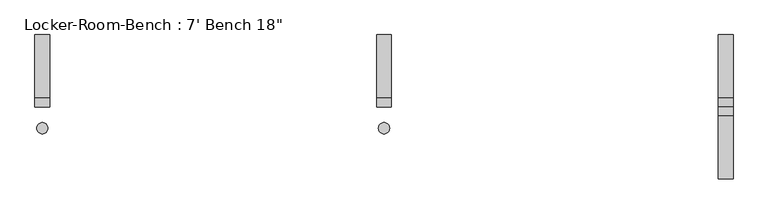
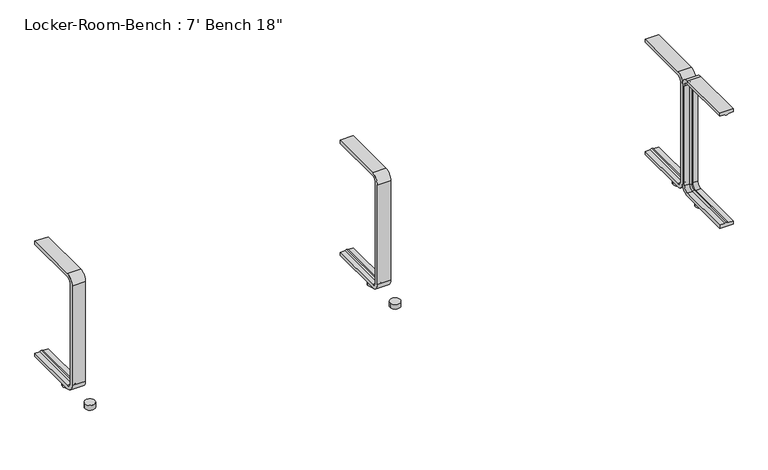
"""IFC4 building model written with IfcOpenShell, lengths in millimetres: proxy geometry."""

from ifc_helpers import new_model, si_unit, point, frame, frame_2d, origin, origin_with_axes, place, context, project, spatial, polyline, circle_curve, ellipse_curve, trimmed, segment, composite_curve, outline, extrude, source, transform, mapped, element, save
from ifc_brep_helpers import plane_surface, cylinder_surface, revolved_surface, advanced_brep


def proxy_b96b6e63(model_context):
    return source(origin(), model_context, "Body", "SolidModel", [
        extrude(outline(composite_curve([segment(trimmed(circle_curve(frame_2d((916.8, -57.5)), 15.0), [point((901.8, -57.5))], [point((931.8, -57.5))], False, "CARTESIAN"), True, "CONTINUOUS"), segment(trimmed(circle_curve(frame_2d((916.8, -57.5)), 15.0), [point((931.8, -57.5))], [point((901.8, -57.5))], False, "CARTESIAN"), True, "CONTINUOUS")], self_intersect=False)), origin_with_axes(), (0.0, 0.0, 1.0), 15.0),
        extrude(outline(composite_curve([segment(trimmed(circle_curve(frame_2d((916.8, 57.5)), 15.0), [point((901.8, 57.5))], [point((931.8, 57.5))], False, "CARTESIAN"), True, "CONTINUOUS"), segment(trimmed(circle_curve(frame_2d((916.8, 57.5)), 15.0), [point((931.8, 57.5))], [point((901.8, 57.5))], False, "CARTESIAN"), True, "CONTINUOUS")], self_intersect=False)), origin_with_axes(), (0.0, 0.0, 1.0), 15.0),
        extrude(outline(composite_curve([segment(trimmed(circle_curve(frame_2d((0.0, -57.5)), 15.0), [point((-15.0, -57.5))], [point((15.0, -57.5))], False, "CARTESIAN"), True, "CONTINUOUS"), segment(trimmed(circle_curve(frame_2d((0.0, -57.5)), 15.0), [point((15.0, -57.5))], [point((-15.0, -57.5))], False, "CARTESIAN"), True, "CONTINUOUS")], self_intersect=False)), origin_with_axes(), (0.0, 0.0, 1.0), 15.0),
        extrude(outline(composite_curve([segment(trimmed(circle_curve(frame_2d((0.0, 57.5)), 15.0), [point((-15.0, 57.5))], [point((15.0, 57.5))], False, "CARTESIAN"), True, "CONTINUOUS"), segment(trimmed(circle_curve(frame_2d((0.0, 57.5)), 15.0), [point((15.0, 57.5))], [point((-15.0, 57.5))], False, "CARTESIAN"), True, "CONTINUOUS")], self_intersect=False)), origin_with_axes(), (0.0, 0.0, 1.0), 15.0),
        extrude(outline(composite_curve([segment(trimmed(circle_curve(frame_2d((-916.8, -57.5)), 15.0), [point((-931.8, -57.5))], [point((-901.8, -57.5))], False, "CARTESIAN"), True, "CONTINUOUS"), segment(trimmed(circle_curve(frame_2d((-916.8, -57.5)), 15.0), [point((-901.8, -57.5))], [point((-931.8, -57.5))], False, "CARTESIAN"), True, "CONTINUOUS")], self_intersect=False)), origin_with_axes(), (0.0, 0.0, 1.0), 15.0),
        extrude(outline(composite_curve([segment(trimmed(circle_curve(frame_2d((-916.8, 57.5)), 15.0), [point((-931.8, 57.5))], [point((-901.8, 57.5))], False, "CARTESIAN"), True, "CONTINUOUS"), segment(trimmed(circle_curve(frame_2d((-916.8, 57.5)), 15.0), [point((-901.8, 57.5))], [point((-931.8, 57.5))], False, "CARTESIAN"), True, "CONTINUOUS")], self_intersect=False)), origin_with_axes(), (0.0, 0.0, 1.0), 15.0),
        advanced_brep(
        [(936.8, 193.6, 381.4), (936.8, 193.6, 371.4), (921.8, 193.6, 371.4), (916.8, 193.6, 369.0684617), (911.8, 193.6, 371.4), (896.8, 193.6, 371.4), (896.8, 193.6, 381.4), (936.8, 25.0, 381.4), (936.8, 0.0, 356.4), (936.8, 0.0, 40.0), (936.8, 25.0, 15.0), (936.8, 193.6, 15.0), (936.8, 193.6, 25.0), (936.8, 25.0, 25.0), (936.8, 10.0, 40.0), (936.8, 10.0, 356.4), (936.8, 25.0, 371.4), (921.8, 25.0, 371.4), (916.8, 25.0, 369.0684617), (911.8, 25.0, 371.4), (896.8, 25.0, 371.4), (896.8, 10.0, 356.4), (896.8, 10.0, 40.0), (896.8, 25.0, 25.0), (896.8, 193.6, 25.0), (896.8, 193.6, 15.0), (896.8, 25.0, 15.0), (896.8, 0.0, 40.0), (896.8, 0.0, 356.4), (896.8, 25.0, 381.4), (921.8, 10.0, 356.4), (916.8, 12.3315383, 356.4), (911.8, 10.0, 356.4), (921.8, 10.0, 40.0), (916.8, 12.3315383, 40.0), (911.8, 10.0, 40.0), (921.8, 25.0, 25.0), (916.8, 25.0, 27.3315383), (911.8, 25.0, 25.0), (911.8, 193.6, 25.0), (916.8, 193.6, 27.3315383), (921.8, 193.6, 25.0)],
        [
            (0, 1),
            (1, 2),
            (2, 3, circle_curve(frame((917.0996409, 193.6, 374.9529162), z_axis=(0.0, 1.0, 0.0), x_axis=(0.0, 0.0, -1.0)), 5.8920785)),
            (3, 4, circle_curve(frame((916.5003591, 193.6, 374.9529162), z_axis=(0.0, 1.0, 0.0), x_axis=(0.0, 0.0, -1.0)), 5.8920785)),
            (4, 5),
            (5, 6),
            (6, 0),
            (0, 7),
            (7, 8, circle_curve(frame((936.8, 25.0, 356.4), z_axis=(1.0, 0.0, 0.0), x_axis=(0.0, 0.0, 1.0)), 25.0)),
            (8, 9),
            (9, 10, circle_curve(frame((936.8, 25.0, 40.0), z_axis=(1.0, 0.0, 0.0), x_axis=(0.0, -1.0, 0.0)), 25.0)),
            (10, 11),
            (11, 12),
            (12, 13),
            (13, 14, circle_curve(frame((936.8, 25.0, 40.0), z_axis=(-1.0, 0.0, 0.0), x_axis=(0.0, -1.0, 0.0)), 15.0)),
            (14, 15),
            (15, 16, circle_curve(frame((936.8, 25.0, 356.4), z_axis=(-1.0, 0.0, 0.0), x_axis=(0.0, 0.0, 1.0)), 15.0)),
            (16, 1),
            (16, 17),
            (17, 2),
            (17, 18, circle_curve(frame((917.0996409, 25.0, 374.9529162), z_axis=(0.0, 1.0, 0.0), x_axis=(0.0, 0.0, -1.0)), 5.8920785)),
            (18, 3),
            (18, 19, circle_curve(frame((916.5003591, 25.0, 374.9529162), z_axis=(0.0, 1.0, 0.0), x_axis=(0.0, 0.0, -1.0)), 5.8920785)),
            (19, 4),
            (19, 20),
            (20, 5),
            (20, 21, circle_curve(frame((896.8, 25.0, 356.4), z_axis=(1.0, 0.0, 0.0), x_axis=(0.0, 0.0, 1.0)), 15.0)),
            (21, 22),
            (22, 23, circle_curve(frame((896.8, 25.0, 40.0), z_axis=(1.0, 0.0, 0.0), x_axis=(0.0, -1.0, 0.0)), 15.0)),
            (23, 24),
            (24, 25),
            (25, 26),
            (26, 27, circle_curve(frame((896.8, 25.0, 40.0), z_axis=(-1.0, 0.0, 0.0), x_axis=(0.0, -1.0, 0.0)), 25.0)),
            (27, 28),
            (28, 29, circle_curve(frame((896.8, 25.0, 356.4), z_axis=(-1.0, 0.0, 0.0), x_axis=(0.0, 0.0, 1.0)), 25.0)),
            (29, 6),
            (29, 7),
            (30, 17, circle_curve(frame((921.8, 25.0, 356.4), z_axis=(-1.0, 0.0, 0.0), x_axis=(0.0, 0.0, 1.0)), 15.0)),
            (15, 30),
            (31, 18, circle_curve(frame((916.8, 25.0, 356.4), z_axis=(-1.0, 0.0, 0.0), x_axis=(0.0, 0.0, 1.0)), 12.6684617)),
            (30, 31, circle_curve(frame((917.0996409, 6.4470838, 356.4), z_axis=(0.0, 0.0, 1.0), x_axis=(0.0, 1.0, 0.0)), 5.8920785)),
            (32, 19, circle_curve(frame((911.8, 25.0, 356.4), z_axis=(-1.0, 0.0, 0.0), x_axis=(0.0, 0.0, 1.0)), 15.0)),
            (31, 32, circle_curve(frame((916.5003591, 6.4470838, 356.4), z_axis=(0.0, 0.0, 1.0), x_axis=(0.0, 1.0, 0.0)), 5.8920785)),
            (32, 21),
            (28, 8),
            (14, 33),
            (33, 30),
            (33, 34, circle_curve(frame((917.0996409, 6.4470838, 40.0), z_axis=(0.0, 0.0, 1.0), x_axis=(0.0, 1.0, 0.0)), 5.8920785)),
            (34, 31),
            (34, 35, circle_curve(frame((916.5003591, 6.4470838, 40.0), z_axis=(0.0, 0.0, 1.0), x_axis=(0.0, 1.0, 0.0)), 5.8920785)),
            (35, 32),
            (35, 22),
            (27, 9),
            (36, 33, circle_curve(frame((921.8, 25.0, 40.0), z_axis=(-1.0, 0.0, 0.0), x_axis=(0.0, -1.0, 0.0)), 15.0)),
            (13, 36),
            (37, 34, circle_curve(frame((916.8, 25.0, 40.0), z_axis=(-1.0, 0.0, 0.0), x_axis=(0.0, -1.0, 0.0)), 12.6684617)),
            (36, 37, circle_curve(frame((917.0996409, 25.0, 21.4470838), z_axis=(0.0, -1.0, 0.0), x_axis=(0.0, 0.0, 1.0)), 5.8920785)),
            (38, 35, circle_curve(frame((911.8, 25.0, 40.0), z_axis=(-1.0, 0.0, 0.0), x_axis=(0.0, -1.0, 0.0)), 15.0)),
            (37, 38, circle_curve(frame((916.5003591, 25.0, 21.4470838), z_axis=(0.0, -1.0, 0.0), x_axis=(0.0, 0.0, 1.0)), 5.8920785)),
            (38, 23),
            (26, 10),
            (11, 25),
            (24, 39),
            (39, 40, circle_curve(frame((916.5003591, 193.6, 21.4470838), z_axis=(0.0, 1.0, 0.0), x_axis=(0.0, 0.0, 1.0)), 5.8920785)),
            (40, 41, circle_curve(frame((917.0996409, 193.6, 21.4470838), z_axis=(0.0, 1.0, 0.0), x_axis=(0.0, 0.0, 1.0)), 5.8920785)),
            (41, 12),
            (41, 36),
            (40, 37),
            (39, 38),
        ],
        [
            plane_surface(frame((916.8, 193.6, 381.4), z_axis=(0.0, 1.0, 0.0), x_axis=(1.0, 0.0, 0.0))),
            plane_surface(frame((936.8, 193.6, 381.4), z_axis=(1.0, 0.0, 0.0), x_axis=(0.0, -1.0, 0.0))),
            plane_surface(frame((936.8, 193.6, 371.4), z_axis=(0.0, 0.0, -1.0), x_axis=(0.0, -1.0, 0.0))),
            cylinder_surface(frame((917.0996409, 193.6, 374.9529162), z_axis=(0.0, 1.0, 0.0), x_axis=(0.0, 0.0, -1.0)), 5.8920785),
            cylinder_surface(frame((916.5003591, 193.6, 374.9529162), z_axis=(0.0, 1.0, 0.0), x_axis=(0.0, 0.0, -1.0)), 5.8920785),
            plane_surface(frame((911.8, 193.6, 371.4), z_axis=(0.0, 0.0, -1.0), x_axis=(0.0, -1.0, 0.0))),
            plane_surface(frame((896.8, 193.6, 371.4), z_axis=(-1.0, 0.0, 0.0), x_axis=(0.0, -1.0, 0.0))),
            plane_surface(frame((896.8, 193.6, 381.4), z_axis=(0.0, 0.0, 1.0), x_axis=(0.0, -1.0, 0.0))),
            revolved_surface(polyline([(936.8, 25.0, 371.4), (921.8, 25.0, 371.4)]), (916.8, 25.0, 356.4), (1.0, 0.0, 0.0)),
            revolved_surface(trimmed(ellipse_curve(frame((917.0996409, 25.0, 374.9529162), z_axis=(0.0, 1.0, 0.0), x_axis=(0.0, 0.0, -1.0)), 5.8920785, 5.8920785), [point((921.8, 25.0, 371.4))], [point((916.8, 25.0, 369.0684617))], True, "CARTESIAN"), (916.8, 25.0, 356.4), (1.0, 0.0, 0.0)),
            revolved_surface(trimmed(ellipse_curve(frame((916.5003591, 25.0, 374.9529162), z_axis=(0.0, 1.0, 0.0), x_axis=(0.0, 0.0, -1.0)), 5.8920785, 5.8920785), [point((916.8, 25.0, 369.0684617))], [point((911.8, 25.0, 371.4))], True, "CARTESIAN"), (916.8, 25.0, 356.4), (1.0, 0.0, 0.0)),
            revolved_surface(polyline([(911.8, 25.0, 371.4), (896.8, 25.0, 371.4)]), (916.8, 25.0, 356.4), (1.0, 0.0, 0.0)),
            cylinder_surface(frame((916.8, 25.0, 356.4), z_axis=(1.0, 0.0, 0.0), x_axis=(0.0, 0.0, 1.0)), 25.0),
            plane_surface(frame((936.8, 10.0, 356.4), z_axis=(0.0, 1.0, 0.0), x_axis=(0.0, 0.0, -1.0))),
            cylinder_surface(frame((917.0996409, 6.4470838, 356.4), z_axis=(0.0, 0.0, 1.0), x_axis=(0.0, 1.0, 0.0)), 5.8920785),
            cylinder_surface(frame((916.5003591, 6.4470838, 356.4), z_axis=(0.0, 0.0, 1.0), x_axis=(0.0, 1.0, 0.0)), 5.8920785),
            plane_surface(frame((911.8, 10.0, 356.4), z_axis=(0.0, 1.0, 0.0), x_axis=(0.0, 0.0, -1.0))),
            plane_surface(frame((896.8, 0.0, 356.4), z_axis=(0.0, -1.0, 0.0), x_axis=(0.0, 0.0, -1.0))),
            revolved_surface(polyline([(936.8, 10.0, 40.0), (921.8, 10.0, 40.0)]), (916.8, 25.0, 40.0), (1.0, 0.0, 0.0)),
            revolved_surface(trimmed(ellipse_curve(frame((917.0996409, 6.4470838, 40.0), z_axis=(0.0, 0.0, 1.0), x_axis=(0.0, 1.0, 0.0)), 5.8920785, 5.8920785), [point((921.8, 10.0, 40.0))], [point((916.8, 12.3315383, 40.0))], True, "CARTESIAN"), (916.8, 25.0, 40.0), (1.0, 0.0, 0.0)),
            revolved_surface(trimmed(ellipse_curve(frame((916.5003591, 6.4470838, 40.0), z_axis=(0.0, 0.0, 1.0), x_axis=(0.0, 1.0, 0.0)), 5.8920785, 5.8920785), [point((916.8, 12.3315383, 40.0))], [point((911.8, 10.0, 40.0))], True, "CARTESIAN"), (916.8, 25.0, 40.0), (1.0, 0.0, 0.0)),
            revolved_surface(polyline([(911.8, 10.0, 40.0), (896.8, 10.0, 40.0)]), (916.8, 25.0, 40.0), (1.0, 0.0, 0.0)),
            cylinder_surface(frame((916.8, 25.0, 40.0), z_axis=(1.0, 0.0, 0.0), x_axis=(0.0, -1.0, 0.0)), 25.0),
            plane_surface(frame((916.8, 193.6, 15.0), z_axis=(0.0, 1.0, 0.0), x_axis=(1.0, 0.0, 0.0))),
            plane_surface(frame((936.8, 25.0, 25.0), z_axis=(0.0, 0.0, 1.0), x_axis=(0.0, 1.0, 0.0))),
            cylinder_surface(frame((917.0996409, 25.0, 21.4470838), z_axis=(0.0, -1.0, 0.0), x_axis=(0.0, 0.0, 1.0)), 5.8920785),
            cylinder_surface(frame((916.5003591, 25.0, 21.4470838), z_axis=(0.0, -1.0, 0.0), x_axis=(0.0, 0.0, 1.0)), 5.8920785),
            plane_surface(frame((911.8, 25.0, 25.0), z_axis=(0.0, 0.0, 1.0), x_axis=(0.0, 1.0, 0.0))),
            plane_surface(frame((896.8, 25.0, 15.0), z_axis=(0.0, 0.0, -1.0), x_axis=(0.0, 1.0, 0.0))),
        ],
        [
            (0, [[1, 2, 3, 4, 5, 6, 7]]),
            (1, [[-1, 8, 9, 10, 11, 12, 13, 14, 15, 16, 17, 18]]),
            (2, [[-2, -18, 19, 20]]),
            (3, [[-3, -20, 21, 22]]),
            (4, [[-4, -22, 23, 24]]),
            (5, [[-5, -24, 25, 26]]),
            (6, [[-6, -26, 27, 28, 29, 30, 31, 32, 33, 34, 35, 36]]),
            (7, [[-7, -36, 37, -8]]),
            (8, [[38, -19, -17, 39]]),
            (9, [[40, -21, -38, 41]]),
            (10, [[42, -23, -40, 43]]),
            (11, [[-27, -25, -42, 44]]),
            (12, [[-9, -37, -35, 45]]),
            (13, [[-39, -16, 46, 47]]),
            (14, [[-41, -47, 48, 49]]),
            (15, [[-43, -49, 50, 51]]),
            (16, [[-44, -51, 52, -28]]),
            (17, [[-45, -34, 53, -10]]),
            (18, [[54, -46, -15, 55]]),
            (19, [[56, -48, -54, 57]]),
            (20, [[58, -50, -56, 59]]),
            (21, [[-29, -52, -58, 60]]),
            (22, [[-11, -53, -33, 61]]),
            (23, [[62, -31, 63, 64, 65, 66, -13]]),
            (24, [[-55, -14, -66, 67]]),
            (25, [[-57, -67, -65, 68]]),
            (26, [[-59, -68, -64, 69]]),
            (27, [[-60, -69, -63, -30]]),
            (28, [[-61, -32, -62, -12]]),
        ],
    ),
        advanced_brep(
        [(20.0, 193.6, 381.4), (20.0, 193.6, 371.4), (5.0, 193.6, 371.4), (0.0, 193.6, 369.0684617), (-5.0, 193.6, 371.4), (-20.0, 193.6, 371.4), (-20.0, 193.6, 381.4), (20.0, 25.0, 381.4), (20.0, 0.0, 356.4), (20.0, 0.0, 40.0), (20.0, 25.0, 15.0), (20.0, 193.6, 15.0), (20.0, 193.6, 25.0), (20.0, 25.0, 25.0), (20.0, 10.0, 40.0), (20.0, 10.0, 356.4), (20.0, 25.0, 371.4), (5.0, 25.0, 371.4), (0.0, 25.0, 369.0684617), (-5.0, 25.0, 371.4), (-20.0, 25.0, 371.4), (-20.0, 10.0, 356.4), (-20.0, 10.0, 40.0), (-20.0, 25.0, 25.0), (-20.0, 193.6, 25.0), (-20.0, 193.6, 15.0), (-20.0, 25.0, 15.0), (-20.0, 0.0, 40.0), (-20.0, 0.0, 356.4), (-20.0, 25.0, 381.4), (5.0, 10.0, 356.4), (0.0, 12.3315383, 356.4), (-5.0, 10.0, 356.4), (5.0, 10.0, 40.0), (0.0, 12.3315383, 40.0), (-5.0, 10.0, 40.0), (5.0, 25.0, 25.0), (0.0, 25.0, 27.3315383), (-5.0, 25.0, 25.0), (-5.0, 193.6, 25.0), (0.0, 193.6, 27.3315383), (5.0, 193.6, 25.0)],
        [
            (0, 1),
            (1, 2),
            (2, 3, circle_curve(frame((0.2996409, 193.6, 374.9529162), z_axis=(0.0, 1.0, 0.0), x_axis=(0.0, 0.0, -1.0)), 5.8920785)),
            (3, 4, circle_curve(frame((-0.2996409, 193.6, 374.9529162), z_axis=(0.0, 1.0, 0.0), x_axis=(0.0, 0.0, -1.0)), 5.8920785)),
            (4, 5),
            (5, 6),
            (6, 0),
            (0, 7),
            (7, 8, circle_curve(frame((20.0, 25.0, 356.4), z_axis=(1.0, 0.0, 0.0), x_axis=(0.0, 0.0, 1.0)), 25.0)),
            (8, 9),
            (9, 10, circle_curve(frame((20.0, 25.0, 40.0), z_axis=(1.0, 0.0, 0.0), x_axis=(0.0, -1.0, 0.0)), 25.0)),
            (10, 11),
            (11, 12),
            (12, 13),
            (13, 14, circle_curve(frame((20.0, 25.0, 40.0), z_axis=(-1.0, 0.0, 0.0), x_axis=(0.0, -1.0, 0.0)), 15.0)),
            (14, 15),
            (15, 16, circle_curve(frame((20.0, 25.0, 356.4), z_axis=(-1.0, 0.0, 0.0), x_axis=(0.0, 0.0, 1.0)), 15.0)),
            (16, 1),
            (16, 17),
            (17, 2),
            (17, 18, circle_curve(frame((0.2996409, 25.0, 374.9529162), z_axis=(0.0, 1.0, 0.0), x_axis=(0.0, 0.0, -1.0)), 5.8920785)),
            (18, 3),
            (18, 19, circle_curve(frame((-0.2996409, 25.0, 374.9529162), z_axis=(0.0, 1.0, 0.0), x_axis=(0.0, 0.0, -1.0)), 5.8920785)),
            (19, 4),
            (19, 20),
            (20, 5),
            (20, 21, circle_curve(frame((-20.0, 25.0, 356.4), z_axis=(1.0, 0.0, 0.0), x_axis=(0.0, 0.0, 1.0)), 15.0)),
            (21, 22),
            (22, 23, circle_curve(frame((-20.0, 25.0, 40.0), z_axis=(1.0, 0.0, 0.0), x_axis=(0.0, -1.0, 0.0)), 15.0)),
            (23, 24),
            (24, 25),
            (25, 26),
            (26, 27, circle_curve(frame((-20.0, 25.0, 40.0), z_axis=(-1.0, 0.0, 0.0), x_axis=(0.0, -1.0, 0.0)), 25.0)),
            (27, 28),
            (28, 29, circle_curve(frame((-20.0, 25.0, 356.4), z_axis=(-1.0, 0.0, 0.0), x_axis=(0.0, 0.0, 1.0)), 25.0)),
            (29, 6),
            (29, 7),
            (30, 17, circle_curve(frame((5.0, 25.0, 356.4), z_axis=(-1.0, 0.0, 0.0), x_axis=(0.0, 0.0, 1.0)), 15.0)),
            (15, 30),
            (31, 18, circle_curve(frame((0.0, 25.0, 356.4), z_axis=(-1.0, 0.0, 0.0), x_axis=(0.0, 0.0, 1.0)), 12.6684617)),
            (30, 31, circle_curve(frame((0.2996409, 6.4470838, 356.4), z_axis=(0.0, 0.0, 1.0), x_axis=(0.0, 1.0, 0.0)), 5.8920785)),
            (32, 19, circle_curve(frame((-5.0, 25.0, 356.4), z_axis=(-1.0, 0.0, 0.0), x_axis=(0.0, 0.0, 1.0)), 15.0)),
            (31, 32, circle_curve(frame((-0.2996409, 6.4470838, 356.4), z_axis=(0.0, 0.0, 1.0), x_axis=(0.0, 1.0, 0.0)), 5.8920785)),
            (32, 21),
            (28, 8),
            (14, 33),
            (33, 30),
            (33, 34, circle_curve(frame((0.2996409, 6.4470838, 40.0), z_axis=(0.0, 0.0, 1.0), x_axis=(0.0, 1.0, 0.0)), 5.8920785)),
            (34, 31),
            (34, 35, circle_curve(frame((-0.2996409, 6.4470838, 40.0), z_axis=(0.0, 0.0, 1.0), x_axis=(0.0, 1.0, 0.0)), 5.8920785)),
            (35, 32),
            (35, 22),
            (27, 9),
            (36, 33, circle_curve(frame((5.0, 25.0, 40.0), z_axis=(-1.0, 0.0, 0.0), x_axis=(0.0, -1.0, 0.0)), 15.0)),
            (13, 36),
            (37, 34, circle_curve(frame((0.0, 25.0, 40.0), z_axis=(-1.0, 0.0, 0.0), x_axis=(0.0, -1.0, 0.0)), 12.6684617)),
            (36, 37, circle_curve(frame((0.2996409, 25.0, 21.4470838), z_axis=(0.0, -1.0, 0.0), x_axis=(0.0, 0.0, 1.0)), 5.8920785)),
            (38, 35, circle_curve(frame((-5.0, 25.0, 40.0), z_axis=(-1.0, 0.0, 0.0), x_axis=(0.0, -1.0, 0.0)), 15.0)),
            (37, 38, circle_curve(frame((-0.2996409, 25.0, 21.4470838), z_axis=(0.0, -1.0, 0.0), x_axis=(0.0, 0.0, 1.0)), 5.8920785)),
            (38, 23),
            (26, 10),
            (11, 25),
            (24, 39),
            (39, 40, circle_curve(frame((-0.2996409, 193.6, 21.4470838), z_axis=(0.0, 1.0, 0.0), x_axis=(0.0, 0.0, 1.0)), 5.8920785)),
            (40, 41, circle_curve(frame((0.2996409, 193.6, 21.4470838), z_axis=(0.0, 1.0, 0.0), x_axis=(0.0, 0.0, 1.0)), 5.8920785)),
            (41, 12),
            (41, 36),
            (40, 37),
            (39, 38),
        ],
        [
            plane_surface(frame((0.0, 193.6, 381.4), z_axis=(0.0, 1.0, 0.0), x_axis=(1.0, 0.0, 0.0))),
            plane_surface(frame((20.0, 193.6, 381.4), z_axis=(1.0, 0.0, 0.0), x_axis=(0.0, -1.0, 0.0))),
            plane_surface(frame((20.0, 193.6, 371.4), z_axis=(0.0, 0.0, -1.0), x_axis=(0.0, -1.0, 0.0))),
            cylinder_surface(frame((0.2996409, 193.6, 374.9529162), z_axis=(0.0, 1.0, 0.0), x_axis=(0.0, 0.0, -1.0)), 5.8920785),
            cylinder_surface(frame((-0.2996409, 193.6, 374.9529162), z_axis=(0.0, 1.0, 0.0), x_axis=(0.0, 0.0, -1.0)), 5.8920785),
            plane_surface(frame((-5.0, 193.6, 371.4), z_axis=(0.0, 0.0, -1.0), x_axis=(0.0, -1.0, 0.0))),
            plane_surface(frame((-20.0, 193.6, 371.4), z_axis=(-1.0, 0.0, 0.0), x_axis=(0.0, -1.0, 0.0))),
            plane_surface(frame((-20.0, 193.6, 381.4), z_axis=(0.0, 0.0, 1.0), x_axis=(0.0, -1.0, 0.0))),
            revolved_surface(polyline([(20.0, 25.0, 371.4), (5.0, 25.0, 371.4)]), (0.0, 25.0, 356.4), (1.0, 0.0, 0.0)),
            revolved_surface(trimmed(ellipse_curve(frame((0.2996409, 25.0, 374.9529162), z_axis=(0.0, 1.0, 0.0), x_axis=(0.0, 0.0, -1.0)), 5.8920785, 5.8920785), [point((5.0, 25.0, 371.4))], [point((0.0, 25.0, 369.0684617))], True, "CARTESIAN"), (0.0, 25.0, 356.4), (1.0, 0.0, 0.0)),
            revolved_surface(trimmed(ellipse_curve(frame((-0.2996409, 25.0, 374.9529162), z_axis=(0.0, 1.0, 0.0), x_axis=(0.0, 0.0, -1.0)), 5.8920785, 5.8920785), [point((0.0, 25.0, 369.0684617))], [point((-5.0, 25.0, 371.4))], True, "CARTESIAN"), (0.0, 25.0, 356.4), (1.0, 0.0, 0.0)),
            revolved_surface(polyline([(-5.0, 25.0, 371.4), (-20.0, 25.0, 371.4)]), (0.0, 25.0, 356.4), (1.0, 0.0, 0.0)),
            cylinder_surface(frame((0.0, 25.0, 356.4), z_axis=(1.0, 0.0, 0.0), x_axis=(0.0, 0.0, 1.0)), 25.0),
            plane_surface(frame((20.0, 10.0, 356.4), z_axis=(0.0, 1.0, 0.0), x_axis=(0.0, 0.0, -1.0))),
            cylinder_surface(frame((0.2996409, 6.4470838, 356.4), z_axis=(0.0, 0.0, 1.0), x_axis=(0.0, 1.0, 0.0)), 5.8920785),
            cylinder_surface(frame((-0.2996409, 6.4470838, 356.4), z_axis=(0.0, 0.0, 1.0), x_axis=(0.0, 1.0, 0.0)), 5.8920785),
            plane_surface(frame((-5.0, 10.0, 356.4), z_axis=(0.0, 1.0, 0.0), x_axis=(0.0, 0.0, -1.0))),
            plane_surface(frame((-20.0, 0.0, 356.4), z_axis=(0.0, -1.0, 0.0), x_axis=(0.0, 0.0, -1.0))),
            revolved_surface(polyline([(20.0, 10.0, 40.0), (5.0, 10.0, 40.0)]), (0.0, 25.0, 40.0), (1.0, 0.0, 0.0)),
            revolved_surface(trimmed(ellipse_curve(frame((0.2996409, 6.4470838, 40.0), z_axis=(0.0, 0.0, 1.0), x_axis=(0.0, 1.0, 0.0)), 5.8920785, 5.8920785), [point((5.0, 10.0, 40.0))], [point((0.0, 12.3315383, 40.0))], True, "CARTESIAN"), (0.0, 25.0, 40.0), (1.0, 0.0, 0.0)),
            revolved_surface(trimmed(ellipse_curve(frame((-0.2996409, 6.4470838, 40.0), z_axis=(0.0, 0.0, 1.0), x_axis=(0.0, 1.0, 0.0)), 5.8920785, 5.8920785), [point((0.0, 12.3315383, 40.0))], [point((-5.0, 10.0, 40.0))], True, "CARTESIAN"), (0.0, 25.0, 40.0), (1.0, 0.0, 0.0)),
            revolved_surface(polyline([(-5.0, 10.0, 40.0), (-20.0, 10.0, 40.0)]), (0.0, 25.0, 40.0), (1.0, 0.0, 0.0)),
            cylinder_surface(frame((0.0, 25.0, 40.0), z_axis=(1.0, 0.0, 0.0), x_axis=(0.0, -1.0, 0.0)), 25.0),
            plane_surface(frame((0.0, 193.6, 15.0), z_axis=(0.0, 1.0, 0.0), x_axis=(1.0, 0.0, 0.0))),
            plane_surface(frame((20.0, 25.0, 25.0), z_axis=(0.0, 0.0, 1.0), x_axis=(0.0, 1.0, 0.0))),
            cylinder_surface(frame((0.2996409, 25.0, 21.4470838), z_axis=(0.0, -1.0, 0.0), x_axis=(0.0, 0.0, 1.0)), 5.8920785),
            cylinder_surface(frame((-0.2996409, 25.0, 21.4470838), z_axis=(0.0, -1.0, 0.0), x_axis=(0.0, 0.0, 1.0)), 5.8920785),
            plane_surface(frame((-5.0, 25.0, 25.0), z_axis=(0.0, 0.0, 1.0), x_axis=(0.0, 1.0, 0.0))),
            plane_surface(frame((-20.0, 25.0, 15.0), z_axis=(0.0, 0.0, -1.0), x_axis=(0.0, 1.0, 0.0))),
        ],
        [
            (0, [[1, 2, 3, 4, 5, 6, 7]]),
            (1, [[-1, 8, 9, 10, 11, 12, 13, 14, 15, 16, 17, 18]]),
            (2, [[-2, -18, 19, 20]]),
            (3, [[-3, -20, 21, 22]]),
            (4, [[-4, -22, 23, 24]]),
            (5, [[-5, -24, 25, 26]]),
            (6, [[-6, -26, 27, 28, 29, 30, 31, 32, 33, 34, 35, 36]]),
            (7, [[-7, -36, 37, -8]]),
            (8, [[38, -19, -17, 39]]),
            (9, [[40, -21, -38, 41]]),
            (10, [[42, -23, -40, 43]]),
            (11, [[-27, -25, -42, 44]]),
            (12, [[-9, -37, -35, 45]]),
            (13, [[-39, -16, 46, 47]]),
            (14, [[-41, -47, 48, 49]]),
            (15, [[-43, -49, 50, 51]]),
            (16, [[-44, -51, 52, -28]]),
            (17, [[-45, -34, 53, -10]]),
            (18, [[54, -46, -15, 55]]),
            (19, [[56, -48, -54, 57]]),
            (20, [[58, -50, -56, 59]]),
            (21, [[-29, -52, -58, 60]]),
            (22, [[-11, -53, -33, 61]]),
            (23, [[62, -31, 63, 64, 65, 66, -13]]),
            (24, [[-55, -14, -66, 67]]),
            (25, [[-57, -67, -65, 68]]),
            (26, [[-59, -68, -64, 69]]),
            (27, [[-60, -69, -63, -30]]),
            (28, [[-61, -32, -62, -12]]),
        ],
    ),
        advanced_brep(
        [(-896.8, 193.6, 381.4), (-896.8, 193.6, 371.4), (-911.8, 193.6, 371.4), (-916.8, 193.6, 369.0684617), (-921.8, 193.6, 371.4), (-936.8, 193.6, 371.4), (-936.8, 193.6, 381.4), (-896.8, 25.0, 381.4), (-896.8, 0.0, 356.4), (-896.8, 0.0, 40.0), (-896.8, 25.0, 15.0), (-896.8, 193.6, 15.0), (-896.8, 193.6, 25.0), (-896.8, 25.0, 25.0), (-896.8, 10.0, 40.0), (-896.8, 10.0, 356.4), (-896.8, 25.0, 371.4), (-911.8, 25.0, 371.4), (-916.8, 25.0, 369.0684617), (-921.8, 25.0, 371.4), (-936.8, 25.0, 371.4), (-936.8, 10.0, 356.4), (-936.8, 10.0, 40.0), (-936.8, 25.0, 25.0), (-936.8, 193.6, 25.0), (-936.8, 193.6, 15.0), (-936.8, 25.0, 15.0), (-936.8, 0.0, 40.0), (-936.8, 0.0, 356.4), (-936.8, 25.0, 381.4), (-911.8, 10.0, 356.4), (-916.8, 12.3315383, 356.4), (-921.8, 10.0, 356.4), (-911.8, 10.0, 40.0), (-916.8, 12.3315383, 40.0), (-921.8, 10.0, 40.0), (-911.8, 25.0, 25.0), (-916.8, 25.0, 27.3315383), (-921.8, 25.0, 25.0), (-921.8, 193.6, 25.0), (-916.8, 193.6, 27.3315383), (-911.8, 193.6, 25.0)],
        [
            (0, 1),
            (1, 2),
            (2, 3, circle_curve(frame((-916.5003591, 193.6, 374.9529162), z_axis=(0.0, 1.0, 0.0), x_axis=(0.0, 0.0, -1.0)), 5.8920785)),
            (3, 4, circle_curve(frame((-917.0996409, 193.6, 374.9529162), z_axis=(0.0, 1.0, 0.0), x_axis=(0.0, 0.0, -1.0)), 5.8920785)),
            (4, 5),
            (5, 6),
            (6, 0),
            (0, 7),
            (7, 8, circle_curve(frame((-896.8, 25.0, 356.4), z_axis=(1.0, 0.0, 0.0), x_axis=(0.0, 0.0, 1.0)), 25.0)),
            (8, 9),
            (9, 10, circle_curve(frame((-896.8, 25.0, 40.0), z_axis=(1.0, 0.0, 0.0), x_axis=(0.0, -1.0, 0.0)), 25.0)),
            (10, 11),
            (11, 12),
            (12, 13),
            (13, 14, circle_curve(frame((-896.8, 25.0, 40.0), z_axis=(-1.0, 0.0, 0.0), x_axis=(0.0, -1.0, 0.0)), 15.0)),
            (14, 15),
            (15, 16, circle_curve(frame((-896.8, 25.0, 356.4), z_axis=(-1.0, 0.0, 0.0), x_axis=(0.0, 0.0, 1.0)), 15.0)),
            (16, 1),
            (16, 17),
            (17, 2),
            (17, 18, circle_curve(frame((-916.5003591, 25.0, 374.9529162), z_axis=(0.0, 1.0, 0.0), x_axis=(0.0, 0.0, -1.0)), 5.8920785)),
            (18, 3),
            (18, 19, circle_curve(frame((-917.0996409, 25.0, 374.9529162), z_axis=(0.0, 1.0, 0.0), x_axis=(0.0, 0.0, -1.0)), 5.8920785)),
            (19, 4),
            (19, 20),
            (20, 5),
            (20, 21, circle_curve(frame((-936.8, 25.0, 356.4), z_axis=(1.0, 0.0, 0.0), x_axis=(0.0, 0.0, 1.0)), 15.0)),
            (21, 22),
            (22, 23, circle_curve(frame((-936.8, 25.0, 40.0), z_axis=(1.0, 0.0, 0.0), x_axis=(0.0, -1.0, 0.0)), 15.0)),
            (23, 24),
            (24, 25),
            (25, 26),
            (26, 27, circle_curve(frame((-936.8, 25.0, 40.0), z_axis=(-1.0, 0.0, 0.0), x_axis=(0.0, -1.0, 0.0)), 25.0)),
            (27, 28),
            (28, 29, circle_curve(frame((-936.8, 25.0, 356.4), z_axis=(-1.0, 0.0, 0.0), x_axis=(0.0, 0.0, 1.0)), 25.0)),
            (29, 6),
            (29, 7),
            (30, 17, circle_curve(frame((-911.8, 25.0, 356.4), z_axis=(-1.0, 0.0, 0.0), x_axis=(0.0, 0.0, 1.0)), 15.0)),
            (15, 30),
            (31, 18, circle_curve(frame((-916.8, 25.0, 356.4), z_axis=(-1.0, 0.0, 0.0), x_axis=(0.0, 0.0, 1.0)), 12.6684617)),
            (30, 31, circle_curve(frame((-916.5003591, 6.4470838, 356.4), z_axis=(0.0, 0.0, 1.0), x_axis=(0.0, 1.0, 0.0)), 5.8920785)),
            (32, 19, circle_curve(frame((-921.8, 25.0, 356.4), z_axis=(-1.0, 0.0, 0.0), x_axis=(0.0, 0.0, 1.0)), 15.0)),
            (31, 32, circle_curve(frame((-917.0996409, 6.4470838, 356.4), z_axis=(0.0, 0.0, 1.0), x_axis=(0.0, 1.0, 0.0)), 5.8920785)),
            (32, 21),
            (28, 8),
            (14, 33),
            (33, 30),
            (33, 34, circle_curve(frame((-916.5003591, 6.4470838, 40.0), z_axis=(0.0, 0.0, 1.0), x_axis=(0.0, 1.0, 0.0)), 5.8920785)),
            (34, 31),
            (34, 35, circle_curve(frame((-917.0996409, 6.4470838, 40.0), z_axis=(0.0, 0.0, 1.0), x_axis=(0.0, 1.0, 0.0)), 5.8920785)),
            (35, 32),
            (35, 22),
            (27, 9),
            (36, 33, circle_curve(frame((-911.8, 25.0, 40.0), z_axis=(-1.0, 0.0, 0.0), x_axis=(0.0, -1.0, 0.0)), 15.0)),
            (13, 36),
            (37, 34, circle_curve(frame((-916.8, 25.0, 40.0), z_axis=(-1.0, 0.0, 0.0), x_axis=(0.0, -1.0, 0.0)), 12.6684617)),
            (36, 37, circle_curve(frame((-916.5003591, 25.0, 21.4470838), z_axis=(0.0, -1.0, 0.0), x_axis=(0.0, 0.0, 1.0)), 5.8920785)),
            (38, 35, circle_curve(frame((-921.8, 25.0, 40.0), z_axis=(-1.0, 0.0, 0.0), x_axis=(0.0, -1.0, 0.0)), 15.0)),
            (37, 38, circle_curve(frame((-917.0996409, 25.0, 21.4470838), z_axis=(0.0, -1.0, 0.0), x_axis=(0.0, 0.0, 1.0)), 5.8920785)),
            (38, 23),
            (26, 10),
            (11, 25),
            (24, 39),
            (39, 40, circle_curve(frame((-917.0996409, 193.6, 21.4470838), z_axis=(0.0, 1.0, 0.0), x_axis=(0.0, 0.0, 1.0)), 5.8920785)),
            (40, 41, circle_curve(frame((-916.5003591, 193.6, 21.4470838), z_axis=(0.0, 1.0, 0.0), x_axis=(0.0, 0.0, 1.0)), 5.8920785)),
            (41, 12),
            (41, 36),
            (40, 37),
            (39, 38),
        ],
        [
            plane_surface(frame((-916.8, 193.6, 381.4), z_axis=(0.0, 1.0, 0.0), x_axis=(1.0, 0.0, 0.0))),
            plane_surface(frame((-896.8, 193.6, 381.4), z_axis=(1.0, 0.0, 0.0), x_axis=(0.0, -1.0, 0.0))),
            plane_surface(frame((-896.8, 193.6, 371.4), z_axis=(0.0, 0.0, -1.0), x_axis=(0.0, -1.0, 0.0))),
            cylinder_surface(frame((-916.5003591, 193.6, 374.9529162), z_axis=(0.0, 1.0, 0.0), x_axis=(0.0, 0.0, -1.0)), 5.8920785),
            cylinder_surface(frame((-917.0996409, 193.6, 374.9529162), z_axis=(0.0, 1.0, 0.0), x_axis=(0.0, 0.0, -1.0)), 5.8920785),
            plane_surface(frame((-921.8, 193.6, 371.4), z_axis=(0.0, 0.0, -1.0), x_axis=(0.0, -1.0, 0.0))),
            plane_surface(frame((-936.8, 193.6, 371.4), z_axis=(-1.0, 0.0, 0.0), x_axis=(0.0, -1.0, 0.0))),
            plane_surface(frame((-936.8, 193.6, 381.4), z_axis=(0.0, 0.0, 1.0), x_axis=(0.0, -1.0, 0.0))),
            revolved_surface(polyline([(-896.8, 25.0, 371.4), (-911.8, 25.0, 371.4)]), (-916.8, 25.0, 356.4), (1.0, 0.0, 0.0)),
            revolved_surface(trimmed(ellipse_curve(frame((-916.5003591, 25.0, 374.9529162), z_axis=(0.0, 1.0, 0.0), x_axis=(0.0, 0.0, -1.0)), 5.8920785, 5.8920785), [point((-911.8, 25.0, 371.4))], [point((-916.8, 25.0, 369.0684617))], True, "CARTESIAN"), (-916.8, 25.0, 356.4), (1.0, 0.0, 0.0)),
            revolved_surface(trimmed(ellipse_curve(frame((-917.0996409, 25.0, 374.9529162), z_axis=(0.0, 1.0, 0.0), x_axis=(0.0, 0.0, -1.0)), 5.8920785, 5.8920785), [point((-916.8, 25.0, 369.0684617))], [point((-921.8, 25.0, 371.4))], True, "CARTESIAN"), (-916.8, 25.0, 356.4), (1.0, 0.0, 0.0)),
            revolved_surface(polyline([(-921.8, 25.0, 371.4), (-936.8, 25.0, 371.4)]), (-916.8, 25.0, 356.4), (1.0, 0.0, 0.0)),
            cylinder_surface(frame((-916.8, 25.0, 356.4), z_axis=(1.0, 0.0, 0.0), x_axis=(0.0, 0.0, 1.0)), 25.0),
            plane_surface(frame((-896.8, 10.0, 356.4), z_axis=(0.0, 1.0, 0.0), x_axis=(0.0, 0.0, -1.0))),
            cylinder_surface(frame((-916.5003591, 6.4470838, 356.4), z_axis=(0.0, 0.0, 1.0), x_axis=(0.0, 1.0, 0.0)), 5.8920785),
            cylinder_surface(frame((-917.0996409, 6.4470838, 356.4), z_axis=(0.0, 0.0, 1.0), x_axis=(0.0, 1.0, 0.0)), 5.8920785),
            plane_surface(frame((-921.8, 10.0, 356.4), z_axis=(0.0, 1.0, 0.0), x_axis=(0.0, 0.0, -1.0))),
            plane_surface(frame((-936.8, 0.0, 356.4), z_axis=(0.0, -1.0, 0.0), x_axis=(0.0, 0.0, -1.0))),
            revolved_surface(polyline([(-896.8, 10.0, 40.0), (-911.8, 10.0, 40.0)]), (-916.8, 25.0, 40.0), (1.0, 0.0, 0.0)),
            revolved_surface(trimmed(ellipse_curve(frame((-916.5003591, 6.4470838, 40.0), z_axis=(0.0, 0.0, 1.0), x_axis=(0.0, 1.0, 0.0)), 5.8920785, 5.8920785), [point((-911.8, 10.0, 40.0))], [point((-916.8, 12.3315383, 40.0))], True, "CARTESIAN"), (-916.8, 25.0, 40.0), (1.0, 0.0, 0.0)),
            revolved_surface(trimmed(ellipse_curve(frame((-917.0996409, 6.4470838, 40.0), z_axis=(0.0, 0.0, 1.0), x_axis=(0.0, 1.0, 0.0)), 5.8920785, 5.8920785), [point((-916.8, 12.3315383, 40.0))], [point((-921.8, 10.0, 40.0))], True, "CARTESIAN"), (-916.8, 25.0, 40.0), (1.0, 0.0, 0.0)),
            revolved_surface(polyline([(-921.8, 10.0, 40.0), (-936.8, 10.0, 40.0)]), (-916.8, 25.0, 40.0), (1.0, 0.0, 0.0)),
            cylinder_surface(frame((-916.8, 25.0, 40.0), z_axis=(1.0, 0.0, 0.0), x_axis=(0.0, -1.0, 0.0)), 25.0),
            plane_surface(frame((-916.8, 193.6, 15.0), z_axis=(0.0, 1.0, 0.0), x_axis=(1.0, 0.0, 0.0))),
            plane_surface(frame((-896.8, 25.0, 25.0), z_axis=(0.0, 0.0, 1.0), x_axis=(0.0, 1.0, 0.0))),
            cylinder_surface(frame((-916.5003591, 25.0, 21.4470838), z_axis=(0.0, -1.0, 0.0), x_axis=(0.0, 0.0, 1.0)), 5.8920785),
            cylinder_surface(frame((-917.0996409, 25.0, 21.4470838), z_axis=(0.0, -1.0, 0.0), x_axis=(0.0, 0.0, 1.0)), 5.8920785),
            plane_surface(frame((-921.8, 25.0, 25.0), z_axis=(0.0, 0.0, 1.0), x_axis=(0.0, 1.0, 0.0))),
            plane_surface(frame((-936.8, 25.0, 15.0), z_axis=(0.0, 0.0, -1.0), x_axis=(0.0, 1.0, 0.0))),
        ],
        [
            (0, [[1, 2, 3, 4, 5, 6, 7]]),
            (1, [[-1, 8, 9, 10, 11, 12, 13, 14, 15, 16, 17, 18]]),
            (2, [[-2, -18, 19, 20]]),
            (3, [[-3, -20, 21, 22]]),
            (4, [[-4, -22, 23, 24]]),
            (5, [[-5, -24, 25, 26]]),
            (6, [[-6, -26, 27, 28, 29, 30, 31, 32, 33, 34, 35, 36]]),
            (7, [[-7, -36, 37, -8]]),
            (8, [[38, -19, -17, 39]]),
            (9, [[40, -21, -38, 41]]),
            (10, [[42, -23, -40, 43]]),
            (11, [[-27, -25, -42, 44]]),
            (12, [[-9, -37, -35, 45]]),
            (13, [[-39, -16, 46, 47]]),
            (14, [[-41, -47, 48, 49]]),
            (15, [[-43, -49, 50, 51]]),
            (16, [[-44, -51, 52, -28]]),
            (17, [[-45, -34, 53, -10]]),
            (18, [[54, -46, -15, 55]]),
            (19, [[56, -48, -54, 57]]),
            (20, [[58, -50, -56, 59]]),
            (21, [[-29, -52, -58, 60]]),
            (22, [[-11, -53, -33, 61]]),
            (23, [[62, -31, 63, 64, 65, 66, -13]]),
            (24, [[-55, -14, -66, 67]]),
            (25, [[-57, -67, -65, 68]]),
            (26, [[-59, -68, -64, 69]]),
            (27, [[-60, -69, -63, -30]]),
            (28, [[-61, -32, -62, -12]]),
        ],
    ),
        advanced_brep(
        [(936.8, -193.6, 381.4), (896.8, -193.6, 381.4), (896.8, -193.6, 371.4), (911.8, -193.6, 371.4), (916.8, -193.6, 369.0684617), (921.8, -193.6, 371.4), (936.8, -193.6, 371.4), (936.8, -25.0, 381.4), (896.8, -25.0, 381.4), (896.8, 0.0, 356.4), (896.8, 0.0, 40.0), (896.8, -25.0, 15.0), (896.8, -193.6, 15.0), (896.8, -193.6, 25.0), (896.8, -25.0, 25.0), (896.8, -10.0, 40.0), (896.8, -10.0, 356.4), (896.8, -25.0, 371.4), (911.8, -25.0, 371.4), (916.8, -25.0, 369.0684617), (921.8, -25.0, 371.4), (936.8, -25.0, 371.4), (936.8, -10.0, 356.4), (936.8, -10.0, 40.0), (936.8, -25.0, 25.0), (936.8, -193.6, 25.0), (936.8, -193.6, 15.0), (936.8, -25.0, 15.0), (936.8, 0.0, 40.0), (936.8, 0.0, 356.4), (911.8, -10.0, 356.4), (916.8, -12.3315383, 356.4), (921.8, -10.0, 356.4), (911.8, -10.0, 40.0), (916.8, -12.3315383, 40.0), (921.8, -10.0, 40.0), (911.8, -25.0, 25.0), (916.8, -25.0, 27.3315383), (921.8, -25.0, 25.0), (921.8, -193.6, 25.0), (916.8, -193.6, 27.3315383), (911.8, -193.6, 25.0)],
        [
            (0, 1),
            (1, 2),
            (2, 3),
            (3, 4, circle_curve(frame((916.5003591, -193.6, 374.9529162), z_axis=(0.0, -1.0, 0.0), x_axis=(0.0, 0.0, 1.0)), 5.8920785)),
            (4, 5, circle_curve(frame((917.0996409, -193.6, 374.9529162), z_axis=(0.0, -1.0, 0.0), x_axis=(0.0, 0.0, 1.0)), 5.8920785)),
            (5, 6),
            (6, 0),
            (0, 7),
            (7, 8),
            (8, 1),
            (8, 9, circle_curve(frame((896.8, -25.0, 356.4), z_axis=(-1.0, 0.0, 0.0), x_axis=(0.0, 0.0, 1.0)), 25.0)),
            (9, 10),
            (10, 11, circle_curve(frame((896.8, -25.0, 40.0), z_axis=(-1.0, 0.0, 0.0), x_axis=(0.0, 1.0, 0.0)), 25.0)),
            (11, 12),
            (12, 13),
            (13, 14),
            (14, 15, circle_curve(frame((896.8, -25.0, 40.0), z_axis=(1.0, 0.0, 0.0), x_axis=(0.0, 1.0, 0.0)), 15.0)),
            (15, 16),
            (16, 17, circle_curve(frame((896.8, -25.0, 356.4), z_axis=(1.0, 0.0, 0.0), x_axis=(0.0, 0.0, 1.0)), 15.0)),
            (17, 2),
            (17, 18),
            (18, 3),
            (18, 19, circle_curve(frame((916.5003591, -25.0, 374.9529162), z_axis=(0.0, -1.0, 0.0), x_axis=(0.0, 0.0, 1.0)), 5.8920785)),
            (19, 4),
            (19, 20, circle_curve(frame((917.0996409, -25.0, 374.9529162), z_axis=(0.0, -1.0, 0.0), x_axis=(0.0, 0.0, 1.0)), 5.8920785)),
            (20, 5),
            (20, 21),
            (21, 6),
            (21, 22, circle_curve(frame((936.8, -25.0, 356.4), z_axis=(-1.0, 0.0, 0.0), x_axis=(0.0, 0.0, 1.0)), 15.0)),
            (22, 23),
            (23, 24, circle_curve(frame((936.8, -25.0, 40.0), z_axis=(-1.0, 0.0, 0.0), x_axis=(0.0, 1.0, 0.0)), 15.0)),
            (24, 25),
            (25, 26),
            (26, 27),
            (27, 28, circle_curve(frame((936.8, -25.0, 40.0), z_axis=(1.0, 0.0, 0.0), x_axis=(0.0, 1.0, 0.0)), 25.0)),
            (28, 29),
            (29, 7, circle_curve(frame((936.8, -25.0, 356.4), z_axis=(1.0, 0.0, 0.0), x_axis=(0.0, 0.0, 1.0)), 25.0)),
            (29, 9),
            (30, 18, circle_curve(frame((911.8, -25.0, 356.4), z_axis=(1.0, 0.0, 0.0), x_axis=(0.0, 0.0, 1.0)), 15.0)),
            (16, 30),
            (31, 19, circle_curve(frame((916.8, -25.0, 356.4), z_axis=(1.0, 0.0, 0.0), x_axis=(0.0, 0.0, 1.0)), 12.6684617)),
            (30, 31, circle_curve(frame((916.5003591, -6.4470838, 356.4), z_axis=(0.0, 0.0, 1.0), x_axis=(0.0, 1.0, 0.0)), 5.8920785)),
            (32, 20, circle_curve(frame((921.8, -25.0, 356.4), z_axis=(1.0, 0.0, 0.0), x_axis=(0.0, 0.0, 1.0)), 15.0)),
            (31, 32, circle_curve(frame((917.0996409, -6.4470838, 356.4), z_axis=(0.0, 0.0, 1.0), x_axis=(0.0, 1.0, 0.0)), 5.8920785)),
            (32, 22),
            (28, 10),
            (15, 33),
            (33, 30),
            (33, 34, circle_curve(frame((916.5003591, -6.4470838, 40.0), z_axis=(0.0, 0.0, 1.0), x_axis=(0.0, 1.0, 0.0)), 5.8920785)),
            (34, 31),
            (34, 35, circle_curve(frame((917.0996409, -6.4470838, 40.0), z_axis=(0.0, 0.0, 1.0), x_axis=(0.0, 1.0, 0.0)), 5.8920785)),
            (35, 32),
            (35, 23),
            (27, 11),
            (36, 33, circle_curve(frame((911.8, -25.0, 40.0), z_axis=(1.0, 0.0, 0.0), x_axis=(0.0, 1.0, 0.0)), 15.0)),
            (14, 36),
            (37, 34, circle_curve(frame((916.8, -25.0, 40.0), z_axis=(1.0, 0.0, 0.0), x_axis=(0.0, 1.0, 0.0)), 12.6684617)),
            (36, 37, circle_curve(frame((916.5003591, -25.0, 21.4470838), z_axis=(0.0, 1.0, 0.0), x_axis=(0.0, 0.0, -1.0)), 5.8920785)),
            (38, 35, circle_curve(frame((921.8, -25.0, 40.0), z_axis=(1.0, 0.0, 0.0), x_axis=(0.0, 1.0, 0.0)), 15.0)),
            (37, 38, circle_curve(frame((917.0996409, -25.0, 21.4470838), z_axis=(0.0, 1.0, 0.0), x_axis=(0.0, 0.0, -1.0)), 5.8920785)),
            (38, 24),
            (25, 39),
            (39, 40, circle_curve(frame((917.0996409, -193.6, 21.4470838), z_axis=(0.0, -1.0, 0.0), x_axis=(0.0, 0.0, -1.0)), 5.8920785)),
            (40, 41, circle_curve(frame((916.5003591, -193.6, 21.4470838), z_axis=(0.0, -1.0, 0.0), x_axis=(0.0, 0.0, -1.0)), 5.8920785)),
            (41, 13),
            (12, 26),
            (41, 36),
            (40, 37),
            (39, 38),
        ],
        [
            plane_surface(frame((916.8, -193.6, 381.4), z_axis=(0.0, -1.0, 0.0), x_axis=(1.0, 0.0, 0.0))),
            plane_surface(frame((936.8, -193.6, 381.4), z_axis=(0.0, 0.0, 1.0), x_axis=(0.0, 1.0, 0.0))),
            plane_surface(frame((896.8, -193.6, 381.4), z_axis=(-1.0, 0.0, 0.0), x_axis=(0.0, 1.0, 0.0))),
            plane_surface(frame((896.8, -193.6, 371.4), z_axis=(0.0, 0.0, -1.0), x_axis=(0.0, 1.0, 0.0))),
            cylinder_surface(frame((916.5003591, -193.6, 374.9529162), z_axis=(0.0, -1.0, 0.0), x_axis=(0.0, 0.0, 1.0)), 5.8920785),
            cylinder_surface(frame((917.0996409, -193.6, 374.9529162), z_axis=(0.0, -1.0, 0.0), x_axis=(0.0, 0.0, 1.0)), 5.8920785),
            plane_surface(frame((921.8, -193.6, 371.4), z_axis=(0.0, 0.0, -1.0), x_axis=(0.0, 1.0, 0.0))),
            plane_surface(frame((936.8, -193.6, 371.4), z_axis=(1.0, 0.0, 0.0), x_axis=(0.0, 1.0, 0.0))),
            cylinder_surface(frame((916.8, -25.0, 356.4), z_axis=(-1.0, 0.0, 0.0), x_axis=(0.0, 0.0, 1.0)), 25.0),
            revolved_surface(polyline([(896.8, -25.0, 371.4), (911.8, -25.0, 371.4)]), (916.8, -25.0, 356.4), (-1.0, 0.0, 0.0)),
            revolved_surface(trimmed(ellipse_curve(frame((916.5003591, -25.0, 374.9529162), z_axis=(0.0, -1.0, 0.0), x_axis=(0.0, 0.0, 1.0)), 5.8920785, 5.8920785), [point((911.8, -25.0, 371.4))], [point((916.8, -25.0, 369.0684617))], True, "CARTESIAN"), (916.8, -25.0, 356.4), (-1.0, 0.0, 0.0)),
            revolved_surface(trimmed(ellipse_curve(frame((917.0996409, -25.0, 374.9529162), z_axis=(0.0, -1.0, 0.0), x_axis=(0.0, 0.0, 1.0)), 5.8920785, 5.8920785), [point((916.8, -25.0, 369.0684617))], [point((921.8, -25.0, 371.4))], True, "CARTESIAN"), (916.8, -25.0, 356.4), (-1.0, 0.0, 0.0)),
            revolved_surface(polyline([(921.8, -25.0, 371.4), (936.8, -25.0, 371.4)]), (916.8, -25.0, 356.4), (-1.0, 0.0, 0.0)),
            plane_surface(frame((936.8, 0.0, 356.4), z_axis=(0.0, 1.0, 0.0), x_axis=(0.0, 0.0, -1.0))),
            plane_surface(frame((896.8, -10.0, 356.4), z_axis=(0.0, -1.0, 0.0), x_axis=(0.0, 0.0, -1.0))),
            cylinder_surface(frame((916.5003591, -6.4470838, 356.4), z_axis=(0.0, 0.0, 1.0), x_axis=(0.0, 1.0, 0.0)), 5.8920785),
            cylinder_surface(frame((917.0996409, -6.4470838, 356.4), z_axis=(0.0, 0.0, 1.0), x_axis=(0.0, 1.0, 0.0)), 5.8920785),
            plane_surface(frame((921.8, -10.0, 356.4), z_axis=(0.0, -1.0, 0.0), x_axis=(0.0, 0.0, -1.0))),
            cylinder_surface(frame((916.8, -25.0, 40.0), z_axis=(-1.0, 0.0, 0.0), x_axis=(0.0, 1.0, 0.0)), 25.0),
            revolved_surface(polyline([(896.8, -10.0, 40.0), (911.8, -10.0, 40.0)]), (916.8, -25.0, 40.0), (-1.0, 0.0, 0.0)),
            revolved_surface(trimmed(ellipse_curve(frame((916.5003591, -6.4470838, 40.0), z_axis=(0.0, 0.0, 1.0), x_axis=(0.0, 1.0, 0.0)), 5.8920785, 5.8920785), [point((911.8, -10.0, 40.0))], [point((916.8, -12.3315383, 40.0))], True, "CARTESIAN"), (916.8, -25.0, 40.0), (-1.0, 0.0, 0.0)),
            revolved_surface(trimmed(ellipse_curve(frame((917.0996409, -6.4470838, 40.0), z_axis=(0.0, 0.0, 1.0), x_axis=(0.0, 1.0, 0.0)), 5.8920785, 5.8920785), [point((916.8, -12.3315383, 40.0))], [point((921.8, -10.0, 40.0))], True, "CARTESIAN"), (916.8, -25.0, 40.0), (-1.0, 0.0, 0.0)),
            revolved_surface(polyline([(921.8, -10.0, 40.0), (936.8, -10.0, 40.0)]), (916.8, -25.0, 40.0), (-1.0, 0.0, 0.0)),
            plane_surface(frame((916.8, -193.6, 15.0), z_axis=(0.0, -1.0, 0.0), x_axis=(1.0, 0.0, 0.0))),
            plane_surface(frame((936.8, -25.0, 15.0), z_axis=(0.0, 0.0, -1.0), x_axis=(0.0, -1.0, 0.0))),
            plane_surface(frame((896.8, -25.0, 25.0), z_axis=(0.0, 0.0, 1.0), x_axis=(0.0, -1.0, 0.0))),
            cylinder_surface(frame((916.5003591, -25.0, 21.4470838), z_axis=(0.0, 1.0, 0.0), x_axis=(0.0, 0.0, -1.0)), 5.8920785),
            cylinder_surface(frame((917.0996409, -25.0, 21.4470838), z_axis=(0.0, 1.0, 0.0), x_axis=(0.0, 0.0, -1.0)), 5.8920785),
            plane_surface(frame((921.8, -25.0, 25.0), z_axis=(0.0, 0.0, 1.0), x_axis=(0.0, -1.0, 0.0))),
        ],
        [
            (0, [[1, 2, 3, 4, 5, 6, 7]]),
            (1, [[-1, 8, 9, 10]]),
            (2, [[-2, -10, 11, 12, 13, 14, 15, 16, 17, 18, 19, 20]]),
            (3, [[-3, -20, 21, 22]]),
            (4, [[-4, -22, 23, 24]]),
            (5, [[-5, -24, 25, 26]]),
            (6, [[-6, -26, 27, 28]]),
            (7, [[-7, -28, 29, 30, 31, 32, 33, 34, 35, 36, 37, -8]]),
            (8, [[-11, -9, -37, 38]]),
            (9, [[39, -21, -19, 40]]),
            (10, [[41, -23, -39, 42]]),
            (11, [[43, -25, -41, 44]]),
            (12, [[-29, -27, -43, 45]]),
            (13, [[-38, -36, 46, -12]]),
            (14, [[-40, -18, 47, 48]]),
            (15, [[-42, -48, 49, 50]]),
            (16, [[-44, -50, 51, 52]]),
            (17, [[-45, -52, 53, -30]]),
            (18, [[-13, -46, -35, 54]]),
            (19, [[55, -47, -17, 56]]),
            (20, [[57, -49, -55, 58]]),
            (21, [[59, -51, -57, 60]]),
            (22, [[-31, -53, -59, 61]]),
            (23, [[-33, 62, 63, 64, 65, -15, 66]]),
            (24, [[-54, -34, -66, -14]]),
            (25, [[-56, -16, -65, 67]]),
            (26, [[-58, -67, -64, 68]]),
            (27, [[-60, -68, -63, 69]]),
            (28, [[-61, -69, -62, -32]]),
        ],
    ),
    ])


if __name__ == "__main__":
    model = new_model("IFC4")
    model_context = context("Model", 3, world=origin())
    ifc_project = project(units=[si_unit("LENGTHUNIT", "METRE", prefix="MILLI")], contexts=[model_context])
    site = spatial("IfcSite", under=ifc_project)
    building = spatial("IfcBuilding", under=site)
    placement = place(None, origin())
    proxy_shape = proxy_b96b6e63(model_context)
    element("IfcBuildingElementProxy", 1, Name="Locker-Room-Bench : 7' Bench 18\"", ObjectType="Locker-Room-Bench : 7' Bench 18\"", at=placement, inside=building, context=model_context, shape_type="MappedRepresentation", body=[
        mapped(proxy_shape, transform((0.0, 0.0, 0.0), x_axis=(1.0, 0.0, 0.0), y_axis=(0.0, 1.0, 0.0), z_axis=(0.0, 0.0, 1.0))),
    ])
    save(model, "model.ifc")
